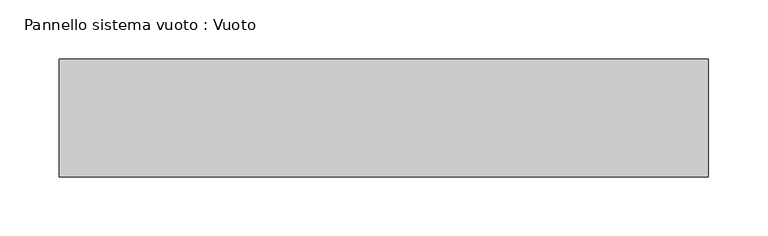
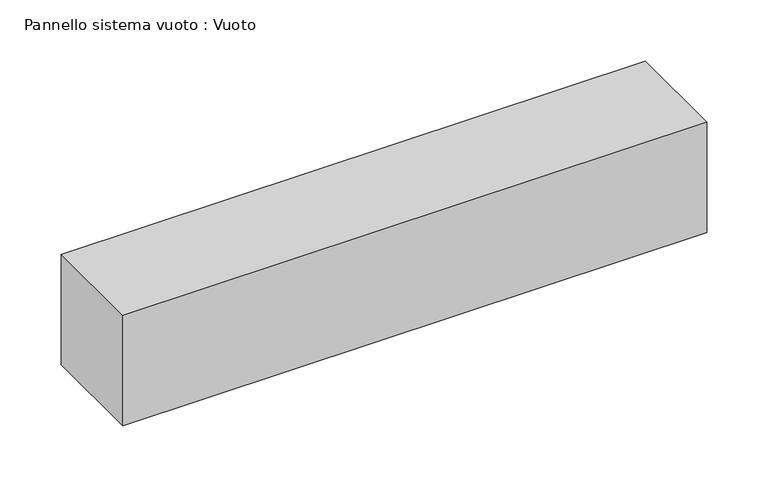
"""IFC4 building model written with IfcOpenShell, lengths in millimetres: plate geometry, Pannello sistema vuoto : Vuoto."""

from ifc_helpers import new_model, si_unit, origin, origin_with_axes, place, context, project, spatial, polyline, outline, extrude, source, transform, mapped, element, save


def pannello_sistema_vuoto_vuoto_a48e4b20(model_context):
    return source(origin(), model_context, "Body", "SweptSolid", [
        extrude(outline(polyline([(275.0, 50.0), (-275.0, 50.0), (-275.0, 150.0), (275.0, 150.0), (275.0, 50.0)])), origin_with_axes(), (0.0, 0.0, 1.0), 110.0),
    ])


if __name__ == "__main__":
    model = new_model("IFC4")
    model_context = context("Model", 3, world=origin())
    ifc_project = project(units=[si_unit("LENGTHUNIT", "METRE", prefix="MILLI")], contexts=[model_context])
    site = spatial("IfcSite", under=ifc_project)
    building = spatial("IfcBuilding", under=site)
    placement = place(None, origin())
    pannello_sistema_vuoto_vuoto_shape = pannello_sistema_vuoto_vuoto_a48e4b20(model_context)
    element("IfcPlate", 1, ObjectType="Pannello sistema vuoto : Vuoto", at=placement, inside=building, context=model_context, shape_type="MappedRepresentation", body=[
        mapped(pannello_sistema_vuoto_vuoto_shape, transform((0.0, 0.0, 0.0), x_axis=(1.0, 0.0, 0.0), y_axis=(0.0, 1.0, 0.0), z_axis=(0.0, 0.0, 1.0))),
    ])
    save(model, "model.ifc")
